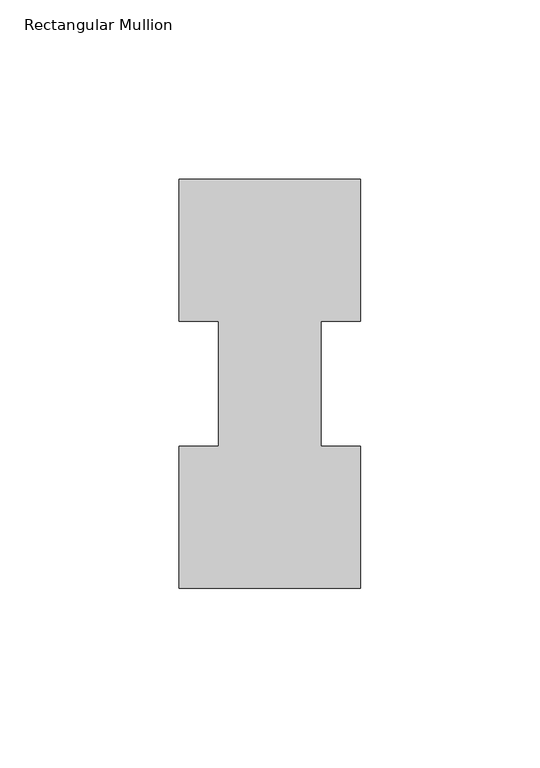
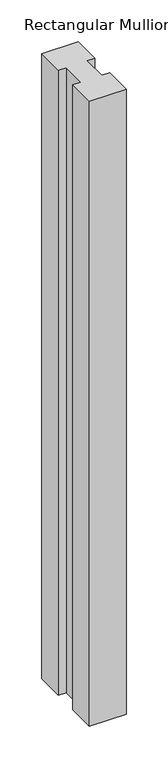
"""IFC4 building model written with IfcOpenShell, lengths in millimetres: member geometry, Rectangular Mullion."""

from ifc_helpers import new_model, si_unit, frame, origin, place, context, project, spatial, polyline, outline, extrude, source, transform, mapped, element, save


def rectangular_mullion_a846ad73(model_context):
    return source(origin(), model_context, "Body", "SweptSolid", [
        extrude(outline(polyline([(25.4, 114.271425), (25.4, 74.596625), (14.2875, 74.596625), (14.2875, 39.646225), (25.4, 39.646225), (25.4, -0.028575), (-25.4, -0.028575), (-25.4, 39.646225), (-14.2875, 39.646225), (-14.2875, 74.596625), (-25.4, 74.596625), (-25.4, 114.271425), (25.4, 114.271425)])), frame((0.0, 0.0, -914.4), z_axis=(0.0, 0.0, 1.0), x_axis=(1.0, 0.0, 0.0)), (0.0, 0.0, 1.0), 914.4),
    ])


if __name__ == "__main__":
    model = new_model("IFC4")
    model_context = context("Model", 3, world=origin())
    ifc_project = project(units=[si_unit("LENGTHUNIT", "METRE", prefix="MILLI")], contexts=[model_context])
    site = spatial("IfcSite", under=ifc_project)
    building = spatial("IfcBuilding", under=site)
    placement = place(None, origin())
    rectangular_mullion_shape = rectangular_mullion_a846ad73(model_context)
    element("IfcMember", 1, ObjectType="Rectangular Mullion", at=placement, inside=building, context=model_context, shape_type="MappedRepresentation", body=[
        mapped(rectangular_mullion_shape, transform((0.0, 0.0, 0.0), x_axis=(1.0, 0.0, 0.0), y_axis=(0.0, 1.0, 0.0), z_axis=(0.0, 0.0, 1.0))),
    ])
    save(model, "model.ifc")
